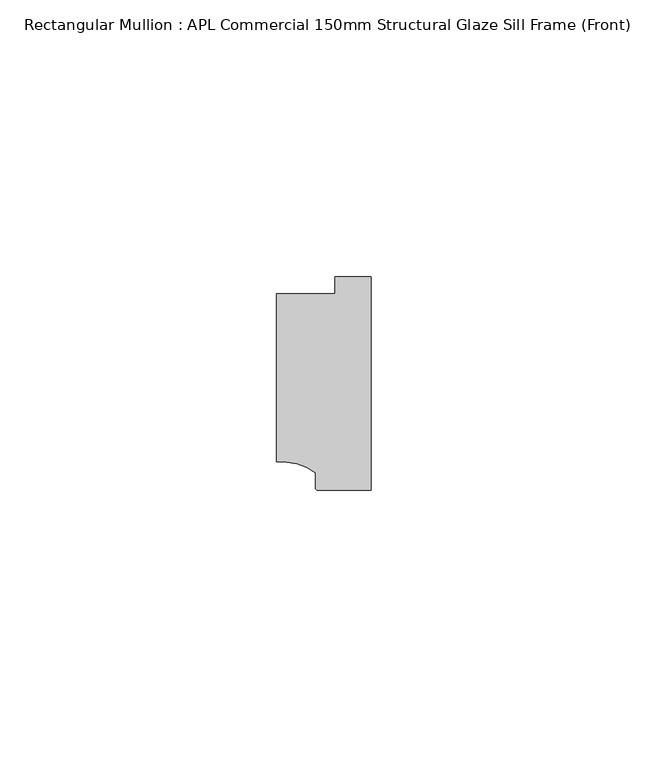
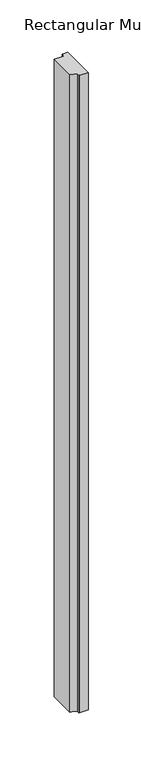
"""IFC4 building model written with IfcOpenShell, lengths in millimetres: member geometry, Rectangular Mullion : APL Commercial 150mm Structural Glaze Sill Frame (Front)."""

from ifc_helpers import new_model, si_unit, point, frame, frame_2d, origin, place, context, project, spatial, polyline, circle_curve, trimmed, segment, composite_curve, outline, extrude, source, transform, mapped, element, save


def rectangular_mullion_apl_commercial_150mm_structural_glaze_39f8dcaf(model_context):
    return source(origin(), model_context, "Body", "SweptSolid", [
        extrude(outline(composite_curve([segment(polyline([(-16.999942, -15.3793144), (-16.999942, 15.0004332), (-6.5000029, 15.0004332), (-6.5000029, 18.0281616), (0.0, 18.0281616), (0.0, -20.49978), (-9.5000029, -20.49978)]), True, "CONTINUOUS"), segment(trimmed(circle_curve(frame_2d((-9.5000029, -19.99978)), 0.5), [point((-9.5000029, -20.49978))], [point((-10.0, -19.9980675))], False, "CARTESIAN"), True, "CONTINUOUS"), segment(polyline([(-10.0, -19.9980675), (-10.0, -17.3120901)]), True, "CONTINUOUS"), segment(trimmed(circle_curve(frame_2d((-16.1098048, -25.7977481)), 10.4563907), [point((-10.0, -17.3120901))], [point((-16.999942, -15.3793144))], True, "CARTESIAN"), True, "CONTINUOUS")], self_intersect=False)), frame((0.0, 0.0, -742.0500913), z_axis=(0.0, 0.0, 1.0), x_axis=(1.0, 0.0, 0.0)), (0.0, 0.0, 1.0), 742.0500913),
    ])


if __name__ == "__main__":
    model = new_model("IFC4")
    model_context = context("Model", 3, world=origin())
    ifc_project = project(units=[si_unit("LENGTHUNIT", "METRE", prefix="MILLI")], contexts=[model_context])
    site = spatial("IfcSite", under=ifc_project)
    building = spatial("IfcBuilding", under=site)
    placement = place(None, origin())
    rectangular_mullion_apl_commercial_150mm_structural_glaze_shape = rectangular_mullion_apl_commercial_150mm_structural_glaze_39f8dcaf(model_context)
    element("IfcMember", 1, ObjectType="Rectangular Mullion : APL Commercial 150mm Structural Glaze Sill Frame (Front)", at=placement, inside=building, context=model_context, shape_type="MappedRepresentation", body=[
        mapped(rectangular_mullion_apl_commercial_150mm_structural_glaze_shape, transform((0.0, 0.0, 0.0), x_axis=(1.0, 0.0, 0.0), y_axis=(0.0, 1.0, 0.0), z_axis=(0.0, 0.0, 1.0))),
    ])
    save(model, "model.ifc")
